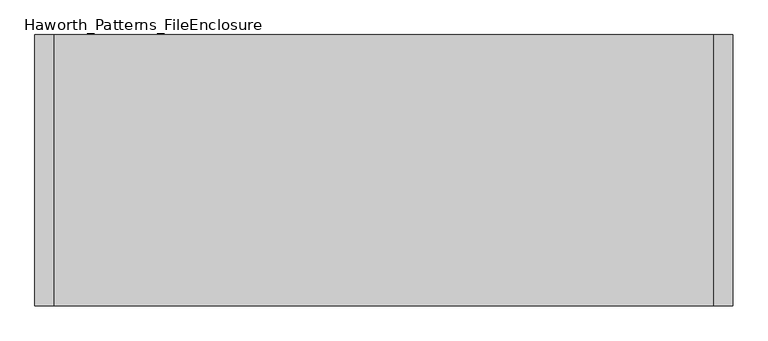
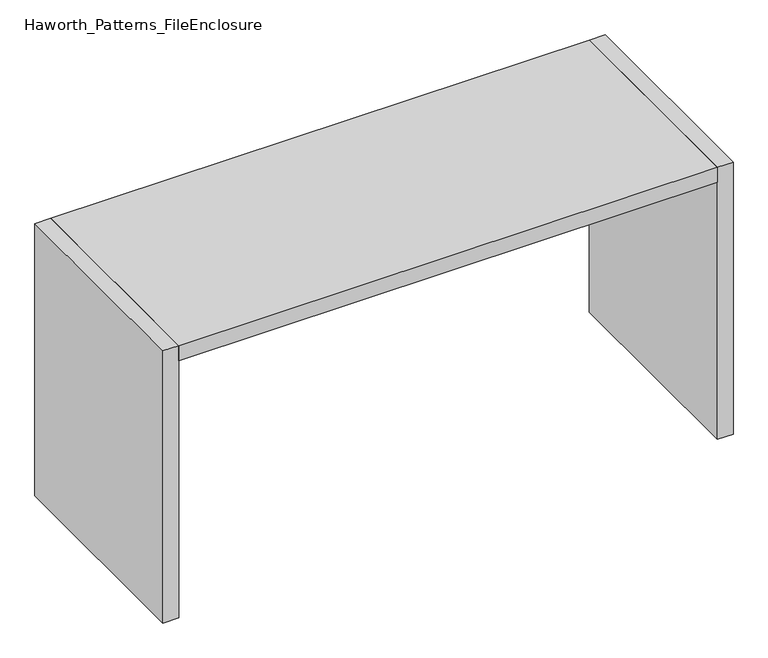
"""IFC4 building model written with IfcOpenShell, lengths in millimetres: furniture geometry, Haworth_Patterns_FileEnclosure."""

from ifc_helpers import new_model, si_unit, frame, origin, origin_with_axes, place, context, project, spatial, polyline, outline, extrude, source, transform, mapped, element, save


def haworth_patterns_fileenclosure_a7d7b9a8(model_context):
    return source(origin(), model_context, "Body", "SweptSolid", [
        extrude(outline(polyline([(1295.4, 0.0), (1295.4, -1066.8), (-1295.4, -1066.8), (-1295.4, 0.0), (1295.4, 0.0)])), frame((0.0, 0.0, 1308.1), z_axis=(0.0, 0.0, 1.0), x_axis=(1.0, 0.0, 0.0)), (0.0, 0.0, 1.0), 76.2),
        extrude(outline(polyline([(1295.4, 0.0), (1371.6, 0.0), (1371.6, -1066.8), (1295.4, -1066.8), (1295.4, 0.0)])), origin_with_axes(), (0.0, 0.0, 1.0), 1384.3),
        extrude(outline(polyline([(-1295.4, 0.0), (-1295.4, -1066.8), (-1371.6, -1066.8), (-1371.6, 0.0), (-1295.4, 0.0)])), origin_with_axes(), (0.0, 0.0, 1.0), 1384.3),
    ])


if __name__ == "__main__":
    model = new_model("IFC4")
    model_context = context("Model", 3, world=origin())
    ifc_project = project(units=[si_unit("LENGTHUNIT", "METRE", prefix="MILLI")], contexts=[model_context])
    site = spatial("IfcSite", under=ifc_project)
    building = spatial("IfcBuilding", under=site)
    placement = place(None, origin())
    haworth_patterns_fileenclosure_shape = haworth_patterns_fileenclosure_a7d7b9a8(model_context)
    element("IfcFurniture", 1, ObjectType="Haworth_Patterns_FileEnclosure", at=placement, inside=building, context=model_context, shape_type="MappedRepresentation", body=[
        mapped(haworth_patterns_fileenclosure_shape, transform((0.0, 0.0, 0.0), x_axis=(1.0, 0.0, 0.0), y_axis=(0.0, 1.0, 0.0), z_axis=(0.0, 0.0, 1.0))),
    ])
    save(model, "model.ifc")
